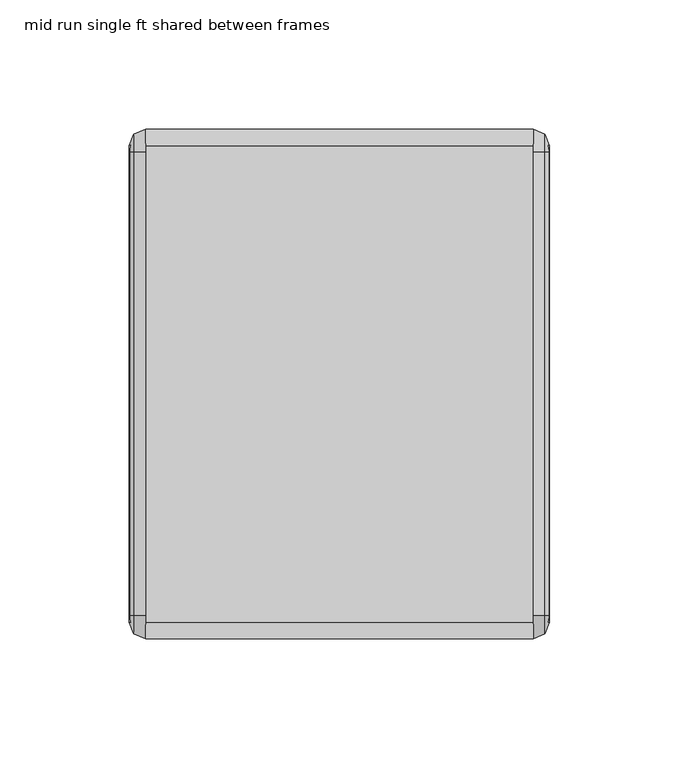
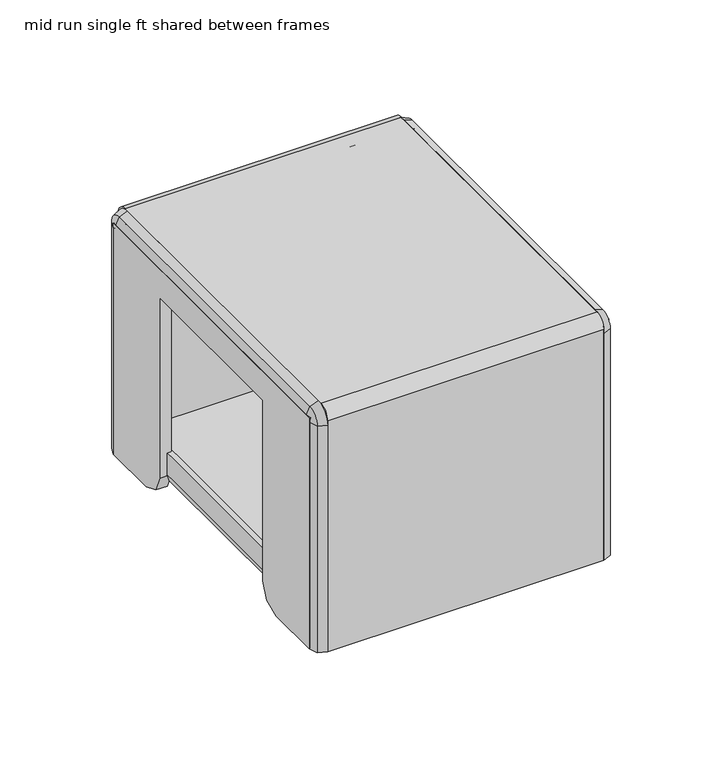
"""IFC4 building model written with IfcOpenShell, lengths in millimetres: furniture geometry, mid run single ft shared between frames."""

from ifc_helpers import new_model, si_unit, point, frame, frame_2d, origin, place, context, project, spatial, polyline, circle_curve, trimmed, segment, composite_curve, outline, extrude, source, transform, mapped, element, save
from ifc_brep_helpers import plane_surface, cylinder_surface, revolved_surface, advanced_brep


def mid_run_single_ft_shared_between_frames_ed25e130(model_context):
    return source(origin(), model_context, "Body", "SolidModel", [
        advanced_brep(
        [(85.3736169, -162.8161811, 60.1980016), (77.3726154, -162.8161811, 60.1980016), (77.3726154, -162.8161811, 7.8739999), (85.3736169, -162.8161811, 7.8739999), (68.6731101, -162.8161811, 7.8739999), (94.0731222, -162.8161811, 7.8739999), (68.6731101, -162.8161811, 2.6834552), (94.0731222, -162.8161811, 2.6834552), (81.3731162, -162.8161811, 0.0), (81.3731162, -162.8161811, 60.1980016)],
        [
            (0, 1, circle_curve(frame((81.3731162, -162.8161811, 60.1980016), z_axis=(0.0, 0.0, -1.0), x_axis=(-1.0, 0.0, 0.0)), 4.0005007)),
            (1, 2),
            (2, 3, circle_curve(frame((81.3731162, -162.8161811, 7.8739999), z_axis=(0.0, 0.0, 1.0), x_axis=(-1.0, 0.0, 0.0)), 4.0005007)),
            (3, 0),
            (1, 0, circle_curve(frame((81.3731162, -162.8161811, 60.1980016), z_axis=(0.0, 0.0, -1.0), x_axis=(-1.0, 0.0, 0.0)), 4.0005007)),
            (3, 2, circle_curve(frame((81.3731162, -162.8161811, 7.8739999), z_axis=(0.0, 0.0, 1.0), x_axis=(-1.0, 0.0, 0.0)), 4.0005007)),
            (2, 4),
            (4, 5, circle_curve(frame((81.3731162, -162.8161811, 7.8739999), z_axis=(0.0, 0.0, 1.0), x_axis=(-1.0, 0.0, 0.0)), 12.7000061)),
            (5, 3),
            (5, 4, circle_curve(frame((81.3731162, -162.8161811, 7.8739999), z_axis=(0.0, 0.0, 1.0), x_axis=(-1.0, 0.0, 0.0)), 12.7000061)),
            (4, 6),
            (6, 7, circle_curve(frame((81.3731162, -162.8161811, 2.6834552), z_axis=(0.0, 0.0, 1.0), x_axis=(-1.0, 0.0, 0.0)), 12.7000061)),
            (7, 5),
            (7, 6, circle_curve(frame((81.3731162, -162.8161811, 2.6834552), z_axis=(0.0, 0.0, 1.0), x_axis=(-1.0, 0.0, 0.0)), 12.7000061)),
            (6, 8),
            (8, 7),
            (9, 1),
            (0, 9),
        ],
        [
            cylinder_surface(frame((81.3731162, -162.8161811, 60.1980016), z_axis=(0.0, 0.0, 1.0), x_axis=(-1.0, 0.0, 0.0)), 4.0005007),
            plane_surface(frame((81.3731162, -162.8161811, 7.8739999), z_axis=(0.0, 0.0, 1.0), x_axis=(-1.0, 0.0, 0.0))),
            cylinder_surface(frame((81.3731162, -162.8161811, 60.1980016), z_axis=(0.0, 0.0, 1.0), x_axis=(-1.0, 0.0, 0.0)), 12.7000061),
            revolved_surface(polyline([(81.3731162, -162.8161811, 0.0), (68.6731101, -162.8161811, 2.6834552)]), (81.3731162, -162.8161811, 60.1980016), (0.0, 0.0, 1.0)),
            plane_surface(frame((81.3731162, -162.8161811, 60.1980016), z_axis=(0.0, 0.0, 1.0), x_axis=(-1.0, 0.0, 0.0))),
        ],
        [
            (0, [[1, 2, 3, 4]]),
            (0, [[5, -4, 6, -2]]),
            (1, [[-3, 7, 8, 9]]),
            (1, [[-6, -9, 10, -7]]),
            (2, [[-8, 11, 12, 13]]),
            (2, [[-10, -13, 14, -11]]),
            (3, [[-12, 15, 16]]),
            (3, [[-14, -16, -15]]),
            (4, [[17, -1, 18]]),
            (4, [[-18, -5, -17]]),
        ],
    ),
        advanced_brep(
        [(85.3736169, -21.7014804, 7.8739999), (77.3726154, -21.7014804, 7.8739999), (77.3726154, -21.7014804, 60.1980016), (85.3736169, -21.7014804, 60.1980016), (94.0731222, -21.7014804, 7.8739999), (68.6731101, -21.7014804, 7.8739999), (94.0731222, -21.7014804, 2.6834552), (68.6731101, -21.7014804, 2.6834552), (81.3731162, -21.7014804, 0.0), (81.3731162, -21.7014804, 60.1980016)],
        [
            (0, 1, circle_curve(frame((81.3731162, -21.7014804, 7.8739999), z_axis=(0.0, 0.0, 1.0), x_axis=(-1.0, 0.0, 0.0)), 4.0005007)),
            (1, 2),
            (2, 3, circle_curve(frame((81.3731162, -21.7014804, 60.1980016), z_axis=(0.0, 0.0, -1.0), x_axis=(-1.0, 0.0, 0.0)), 4.0005007)),
            (3, 0),
            (1, 0, circle_curve(frame((81.3731162, -21.7014804, 7.8739999), z_axis=(0.0, 0.0, 1.0), x_axis=(-1.0, 0.0, 0.0)), 4.0005007)),
            (3, 2, circle_curve(frame((81.3731162, -21.7014804, 60.1980016), z_axis=(0.0, 0.0, -1.0), x_axis=(-1.0, 0.0, 0.0)), 4.0005007)),
            (4, 5, circle_curve(frame((81.3731162, -21.7014804, 7.8739999), z_axis=(0.0, 0.0, 1.0), x_axis=(-1.0, 0.0, 0.0)), 12.7000061)),
            (5, 1),
            (0, 4),
            (5, 4, circle_curve(frame((81.3731162, -21.7014804, 7.8739999), z_axis=(0.0, 0.0, 1.0), x_axis=(-1.0, 0.0, 0.0)), 12.7000061)),
            (6, 7, circle_curve(frame((81.3731162, -21.7014804, 2.6834552), z_axis=(0.0, 0.0, 1.0), x_axis=(-1.0, 0.0, 0.0)), 12.7000061)),
            (7, 5),
            (4, 6),
            (7, 6, circle_curve(frame((81.3731162, -21.7014804, 2.6834552), z_axis=(0.0, 0.0, 1.0), x_axis=(-1.0, 0.0, 0.0)), 12.7000061)),
            (8, 7),
            (6, 8),
            (2, 9),
            (9, 3),
        ],
        [
            cylinder_surface(frame((81.3731162, -21.7014804, 60.1980016), z_axis=(0.0, 0.0, -1.0), x_axis=(-1.0, 0.0, 0.0)), 4.0005007),
            plane_surface(frame((81.3731162, -21.7014804, 7.8739999), z_axis=(0.0, 0.0, 1.0), x_axis=(-1.0, 0.0, 0.0))),
            cylinder_surface(frame((81.3731162, -21.7014804, 60.1980016), z_axis=(0.0, 0.0, -1.0), x_axis=(-1.0, 0.0, 0.0)), 12.7000061),
            revolved_surface(polyline([(68.6731101, -21.7014804, 2.6834552), (81.3731162, -21.7014804, 0.0)]), (81.3731162, -21.7014804, 60.1980016), (0.0, 0.0, -1.0)),
            plane_surface(frame((81.3731162, -21.7014804, 60.1980016), z_axis=(0.0, 0.0, 1.0), x_axis=(-1.0, 0.0, 0.0))),
        ],
        [
            (0, [[1, 2, 3, 4]]),
            (0, [[5, -4, 6, -2]]),
            (1, [[7, 8, -1, 9]]),
            (1, [[10, -9, -5, -8]]),
            (2, [[11, 12, -7, 13]]),
            (2, [[14, -13, -10, -12]]),
            (3, [[15, -11, 16]]),
            (3, [[-16, -14, -15]]),
            (4, [[-3, 17, 18]]),
            (4, [[-6, -18, -17]]),
        ],
    ),
        extrude(outline(polyline([(9.8583747, 13.3499982), (12.8983747, 13.3499982), (12.8983747, 10.5649983), (13.8283109, 8.3199341), (16.073375, 7.389999), (28.9083758, 7.389999), (28.9083758, 4.3499979), (16.073375, 4.3499979), (11.6787067, 6.170331), (9.8583747, 10.5649983), (9.8583747, 13.3499982)])), frame((0.0, -190.6970021, 0.0), z_axis=(0.0, 1.0, 0.0), x_axis=(0.0, 0.0, 1.0)), (0.0, 0.0, 1.0), 184.4740023),
        extrude(outline(polyline([(9.8583747, 147.3452727), (9.8583747, 150.1302726), (11.6787067, 154.5249399), (16.073375, 156.345273), (28.9083758, 156.345273), (28.9083758, 153.3052719), (16.073375, 153.3052719), (13.8283109, 152.3753368), (12.8983747, 150.1302726), (12.8983747, 147.3452727), (9.8583747, 147.3452727)])), frame((0.0, -190.6970021, 0.0), z_axis=(0.0, 1.0, 0.0), x_axis=(0.0, 0.0, 1.0)), (0.0, 0.0, 1.0), 184.4740023),
        extrude(outline(polyline([(147.3452727, -190.6970021), (13.7468732, -190.6970021), (13.7468732, -6.2229997), (147.3452727, -6.2229997), (147.3452727, -190.6970021)])), frame((0.0, 0.0, 9.8583747), z_axis=(0.0, 0.0, 1.0), x_axis=(1.0, 0.0, 0.0)), (0.0, 0.0, 1.0), 3.04),
        extrude(outline(polyline([(-6.2229997, 3.4703749), (-37.3000017, 3.4703749), (-46.2802539, 7.1901191), (-49.9999987, 16.1703747), (-49.9999987, 119.8104104), (-146.9199958, 119.8104104), (-146.9199958, 16.1703747), (-150.6397451, 7.1901191), (-159.6199927, 3.4703749), (-190.6970021, 3.4703749), (-190.6970021, 136.0169734), (-6.2229997, 136.0169734), (-6.2229997, 3.4703749)])), frame((156.3624, 0.0, 0.0), z_axis=(1.0, 0.0, 0.0), x_axis=(0.0, 1.0, 0.0)), (0.0, 0.0, 1.0), 6.35),
        extrude(outline(polyline([(-6.2229997, 3.4703749), (-37.3000017, 3.4703749), (-46.2802539, 7.1901191), (-49.9999987, 16.1703747), (-49.9999987, 119.8104104), (-146.9199958, 119.8104104), (-146.9199958, 16.1703747), (-150.6397451, 7.1901191), (-159.6199927, 3.4703749), (-190.6970021, 3.4703749), (-190.6970021, 136.0169734), (-6.2229997, 136.0169734), (-6.2229997, 3.4703749)])), frame((0.0, 0.0, 0.0), z_axis=(1.0, 0.0, 0.0), x_axis=(0.0, 1.0, 0.0)), (0.0, 0.0, 1.0), 6.35),
        advanced_brep(
        [(0.0, -190.6970021, 3.4703749), (0.0, -189.1970028, 3.4703749), (6.35, -189.1970028, 3.4703749), (6.35, -196.9726108, 3.4703749), (1.8226722, -195.0973331, 3.4703749), (6.35, -189.1970028, 133.4769734), (6.35, -188.1570021, 134.5169741), (6.35, -8.7629997, 134.5169741), (6.35, -7.722999, 133.4769734), (6.35, -7.722999, 3.4703749), (6.35, 0.052609, 3.4703749), (6.35, 0.052609, 133.4769734), (6.35, -8.7629997, 142.2925821), (6.35, -188.1570021, 142.2925821), (6.35, -196.9726108, 133.4769734), (0.0, -189.1970028, 133.4769734), (0.0, -190.6970021, 133.4769734), (0.0, -188.1570021, 136.0169734), (0.0, -8.7629997, 136.0169734), (0.0, -6.2229997, 133.4769734), (0.0, -6.2229997, 3.4703749), (0.0, -7.722999, 3.4703749), (0.0, -7.722999, 133.4769734), (0.0, -8.7629997, 134.5169741), (0.0, -188.1570021, 134.5169741), (1.8226722, -1.8226688, 3.4703749), (1.8226722, -195.0973331, 133.4769734), (1.8226722, -188.1570021, 140.4173043), (1.8226722, -8.7629997, 140.4173043), (1.8226722, -1.8226688, 133.4769734)],
        [
            (0, 1),
            (1, 2),
            (2, 3),
            (3, 4),
            (4, 0),
            (2, 5),
            (5, 6, circle_curve(frame((6.35, -188.1570021, 133.4769734), z_axis=(-1.0, 0.0, 0.0), x_axis=(0.0, -1.0, 0.0)), 1.0400007)),
            (6, 7),
            (7, 8, circle_curve(frame((6.35, -8.7629997, 133.4769734), z_axis=(-1.0, 0.0, 0.0), x_axis=(0.0, 0.0, 1.0)), 1.0400007)),
            (8, 9),
            (9, 10),
            (10, 11),
            (11, 12, circle_curve(frame((6.35, -8.7629997, 133.4769734), z_axis=(1.0, 0.0, 0.0), x_axis=(0.0, 0.0, 1.0)), 8.8156088)),
            (12, 13),
            (13, 14, circle_curve(frame((6.35, -188.1570021, 133.4769734), z_axis=(1.0, 0.0, 0.0), x_axis=(0.0, -1.0, 0.0)), 8.8156088)),
            (14, 3),
            (1, 15),
            (15, 5),
            (0, 16),
            (16, 17, circle_curve(frame((0.0, -188.1570021, 133.4769734), z_axis=(-1.0, 0.0, 0.0), x_axis=(0.0, -1.0, 0.0)), 2.54)),
            (17, 18),
            (18, 19, circle_curve(frame((0.0, -8.7629997, 133.4769734), z_axis=(-1.0, 0.0, 0.0), x_axis=(0.0, 0.0, 1.0)), 2.54)),
            (19, 20),
            (20, 21),
            (21, 22),
            (22, 23, circle_curve(frame((0.0, -8.7629997, 133.4769734), z_axis=(1.0, 0.0, 0.0), x_axis=(0.0, 0.0, 1.0)), 1.0400007)),
            (23, 24),
            (24, 15, circle_curve(frame((0.0, -188.1570021, 133.4769734), z_axis=(1.0, 0.0, 0.0), x_axis=(0.0, -1.0, 0.0)), 1.0400007)),
            (24, 6),
            (23, 7),
            (22, 8),
            (20, 25),
            (25, 10),
            (9, 21),
            (4, 26),
            (26, 16),
            (14, 26),
            (26, 27, circle_curve(frame((1.8226722, -188.1570021, 133.4769734), z_axis=(-1.0, 0.0, 0.0), x_axis=(0.0, -1.0, 0.0)), 6.940331)),
            (27, 17),
            (13, 27),
            (27, 28),
            (28, 18),
            (12, 28),
            (28, 29, circle_curve(frame((1.8226722, -8.7629997, 133.4769734), z_axis=(-1.0, 0.0, 0.0), x_axis=(0.0, 0.0, 1.0)), 6.940331)),
            (29, 19),
            (11, 29),
            (29, 25),
        ],
        [
            plane_surface(frame((6.3499985, -190.6970021, 3.4703749), z_axis=(0.0, 0.0, -1.0), x_axis=(-1.0, 0.0, 0.0))),
            plane_surface(frame((6.35, -189.1970028, 3.4703749), z_axis=(1.0, 0.0, 0.0), x_axis=(0.0, 0.0, 1.0))),
            plane_surface(frame((0.0, -189.1970028, 3.4703749), z_axis=(0.0, 1.0, 0.0), x_axis=(0.0, 0.0, 1.0))),
            plane_surface(frame((0.0, -190.6970021, 3.4703749), z_axis=(-1.0, 0.0, 0.0), x_axis=(0.0, 0.0, 1.0))),
            revolved_surface(polyline([(0.0, -189.1970028, 133.4769734), (6.35, -189.1970028, 133.4769734)]), (6.3499985, -188.1570021, 133.4769734), (-1.0, 0.0, 0.0)),
            plane_surface(frame((0.0, -188.1570021, 134.5169741), z_axis=(0.0, 0.0, -1.0), x_axis=(0.0, 1.0, 0.0))),
            revolved_surface(polyline([(0.0, -8.7629997, 134.5169741), (6.35, -8.7629997, 134.5169741)]), (6.3499985, -8.7629997, 133.4769734), (-1.0, 0.0, 0.0)),
            plane_surface(frame((6.3499985, -6.2229997, 3.4703749), z_axis=(0.0, 0.0, -1.0), x_axis=(-1.0, 0.0, 0.0))),
            plane_surface(frame((0.0, -7.722999, 133.4769734), z_axis=(0.0, -1.0, 0.0), x_axis=(0.0, 0.0, -1.0))),
            plane_surface(frame((1.8226722, -195.0973331, 3.4703749), z_axis=(-0.9238798733387227, -0.3826826095338352, 0.0), x_axis=(0.0, 0.0, 1.0))),
            plane_surface(frame((6.35, -196.9726108, 3.4703749), z_axis=(-0.3826829466812399, -0.9238797336879748, 0.0), x_axis=(0.0, 0.0, 1.0))),
            revolved_surface(polyline([(1.8226722, -195.0973331, 133.4769734), (0.0, -190.6970021, 133.4769734)]), (6.3499985, -188.1570021, 133.4769734), (-1.0, 0.0, 0.0)),
            revolved_surface(polyline([(6.35, -196.9726108, 133.4769734), (1.8226722, -195.0973331, 133.4769734)]), (6.3499985, -188.1570021, 133.4769734), (-1.0, 0.0, 0.0)),
            plane_surface(frame((1.8226722, -188.1570021, 140.4173043), z_axis=(-0.9238798733387267, 0.0, 0.38268260953382577), x_axis=(0.0, 1.0, 0.0))),
            plane_surface(frame((6.35, -188.1570021, 142.2925821), z_axis=(-0.3826829466812494, 0.0, 0.9238797336879709), x_axis=(0.0, 1.0, 0.0))),
            revolved_surface(polyline([(1.8226722, -8.7629997, 140.4173043), (0.0, -8.7629997, 136.0169734)]), (6.3499985, -8.7629997, 133.4769734), (-1.0, 0.0, 0.0)),
            revolved_surface(polyline([(6.35, -8.7629997, 142.2925821), (1.8226722, -8.7629997, 140.4173043)]), (6.3499985, -8.7629997, 133.4769734), (-1.0, 0.0, 0.0)),
            plane_surface(frame((1.8226722, -1.8226688, 133.4769734), z_axis=(-0.9238798733387228, 0.38268260953383526, 0.0), x_axis=(0.0, 0.0, -1.0))),
            plane_surface(frame((6.35, 0.052609, 133.4769734), z_axis=(-0.3826829466812399, 0.9238797336879748, 0.0), x_axis=(0.0, 0.0, -1.0))),
        ],
        [
            (0, [[1, 2, 3, 4, 5]]),
            (1, [[-3, 6, 7, 8, 9, 10, 11, 12, 13, 14, 15, 16]]),
            (2, [[-2, 17, 18, -6]]),
            (3, [[-1, 19, 20, 21, 22, 23, 24, 25, 26, 27, 28, -17]]),
            (4, [[-7, -18, -28, 29]]),
            (5, [[-29, -27, 30, -8]]),
            (6, [[-9, -30, -26, 31]]),
            (7, [[32, 33, -11, 34, -24]]),
            (8, [[-31, -25, -34, -10]]),
            (9, [[-5, 35, 36, -19]]),
            (10, [[-4, -16, 37, -35]]),
            (11, [[-20, -36, 38, 39]]),
            (12, [[-38, -37, -15, 40]]),
            (13, [[-39, 41, 42, -21]]),
            (14, [[-40, -14, 43, -41]]),
            (15, [[-22, -42, 44, 45]]),
            (16, [[-44, -43, -13, 46]]),
            (17, [[-45, 47, -32, -23]]),
            (18, [[-46, -12, -33, -47]]),
        ],
    ),
        advanced_brep(
        [(162.7123985, -190.6970021, 3.4703749), (160.8897263, -195.0973331, 3.4703749), (156.3623985, -196.9726108, 3.4703749), (156.3623985, -189.1970028, 3.4703749), (162.7123985, -189.1970028, 3.4703749), (156.3623985, -196.9726108, 133.4769734), (156.3623985, -188.1570021, 142.2925821), (156.3623985, -8.7629997, 142.2925821), (156.3623985, 0.052609, 133.4769734), (156.3623985, 0.052609, 3.4703749), (156.3623985, -7.722999, 3.4703749), (156.3623985, -7.722999, 133.4769734), (156.3623985, -8.7629997, 134.5169741), (156.3623985, -188.1570021, 134.5169741), (156.3623985, -189.1970028, 133.4769734), (162.7123985, -189.1970028, 133.4769734), (162.7123985, -188.1570021, 134.5169741), (162.7123985, -8.7629997, 134.5169741), (162.7123985, -7.722999, 133.4769734), (162.7123985, -7.722999, 3.4703749), (162.7123985, -6.2229997, 3.4703749), (162.7123985, -6.2229997, 133.4769734), (162.7123985, -8.7629997, 136.0169734), (162.7123985, -188.1570021, 136.0169734), (162.7123985, -190.6970021, 133.4769734), (160.8897263, -1.8226688, 3.4703749), (160.8897263, -195.0973331, 133.4769734), (160.8897263, -188.1570021, 140.4173043), (160.8897263, -8.7629997, 140.4173043), (160.8897263, -1.8226688, 133.4769734)],
        [
            (0, 1),
            (1, 2),
            (2, 3),
            (3, 4),
            (4, 0),
            (2, 5),
            (5, 6, circle_curve(frame((156.3623985, -188.1570021, 133.4769734), z_axis=(-1.0, 0.0, 0.0), x_axis=(0.0, -1.0, 0.0)), 8.8156088)),
            (6, 7),
            (7, 8, circle_curve(frame((156.3623985, -8.7629997, 133.4769734), z_axis=(-1.0, 0.0, 0.0), x_axis=(0.0, 0.0, 1.0)), 8.8156088)),
            (8, 9),
            (9, 10),
            (10, 11),
            (11, 12, circle_curve(frame((156.3623985, -8.7629997, 133.4769734), z_axis=(1.0, 0.0, 0.0), x_axis=(0.0, 0.0, 1.0)), 1.0400007)),
            (12, 13),
            (13, 14, circle_curve(frame((156.3623985, -188.1570021, 133.4769734), z_axis=(1.0, 0.0, 0.0), x_axis=(0.0, -1.0, 0.0)), 1.0400007)),
            (14, 3),
            (14, 15),
            (15, 4),
            (15, 16, circle_curve(frame((162.7123985, -188.1570021, 133.4769734), z_axis=(-1.0, 0.0, 0.0), x_axis=(0.0, -1.0, 0.0)), 1.0400007)),
            (16, 17),
            (17, 18, circle_curve(frame((162.7123985, -8.7629997, 133.4769734), z_axis=(-1.0, 0.0, 0.0), x_axis=(0.0, 0.0, 1.0)), 1.0400007)),
            (18, 19),
            (19, 20),
            (20, 21),
            (21, 22, circle_curve(frame((162.7123985, -8.7629997, 133.4769734), z_axis=(1.0, 0.0, 0.0), x_axis=(0.0, 0.0, 1.0)), 2.54)),
            (22, 23),
            (23, 24, circle_curve(frame((162.7123985, -188.1570021, 133.4769734), z_axis=(1.0, 0.0, 0.0), x_axis=(0.0, -1.0, 0.0)), 2.54)),
            (24, 0),
            (13, 16),
            (12, 17),
            (11, 18),
            (19, 10),
            (9, 25),
            (25, 20),
            (24, 26),
            (26, 1),
            (26, 5),
            (27, 26, circle_curve(frame((160.8897263, -188.1570021, 133.4769734), z_axis=(1.0, 0.0, 0.0), x_axis=(0.0, -1.0, 0.0)), 6.940331)),
            (23, 27),
            (27, 6),
            (22, 28),
            (28, 27),
            (28, 7),
            (29, 28, circle_curve(frame((160.8897263, -8.7629997, 133.4769734), z_axis=(1.0, 0.0, 0.0), x_axis=(0.0, 0.0, 1.0)), 6.940331)),
            (21, 29),
            (29, 8),
            (25, 29),
        ],
        [
            plane_surface(frame((156.3624, -190.6970021, 3.4703749), z_axis=(0.0, 0.0, -1.0), x_axis=(1.0, 0.0, 0.0))),
            plane_surface(frame((156.3623985, -196.9726108, 3.4703749), z_axis=(-1.0, 0.0, 0.0), x_axis=(0.0, 0.0, 1.0))),
            plane_surface(frame((156.3623985, -189.1970028, 3.4703749), z_axis=(0.0, 1.0, 0.0), x_axis=(0.0, 0.0, 1.0))),
            plane_surface(frame((162.7123985, -189.1970028, 3.4703749), z_axis=(1.0, 0.0, 0.0), x_axis=(0.0, 0.0, 1.0))),
            revolved_surface(polyline([(156.3623985, -189.1970028, 133.4769734), (162.7123985, -189.1970028, 133.4769734)]), (156.3624, -188.1570021, 133.4769734), (-1.0, 0.0, 0.0)),
            plane_surface(frame((156.3623985, -188.1570021, 134.5169741), z_axis=(0.0, 0.0, -1.0), x_axis=(0.0, 1.0, 0.0))),
            revolved_surface(polyline([(156.3623985, -8.7629997, 134.5169741), (162.7123985, -8.7629997, 134.5169741)]), (156.3624, -8.7629997, 133.4769734), (-1.0, 0.0, 0.0)),
            plane_surface(frame((156.3624, -6.2229997, 3.4703749), z_axis=(0.0, 0.0, -1.0), x_axis=(1.0, 0.0, 0.0))),
            plane_surface(frame((156.3623985, -7.722999, 133.4769734), z_axis=(0.0, -1.0, 0.0), x_axis=(0.0, 0.0, -1.0))),
            plane_surface(frame((162.7123985, -190.6970021, 3.4703749), z_axis=(0.9238798733387221, -0.38268260953383665, 0.0), x_axis=(0.0, 0.0, 1.0))),
            plane_surface(frame((160.8897263, -195.0973331, 3.4703749), z_axis=(0.38268294668124286, -0.9238797336879737, 0.0), x_axis=(0.0, 0.0, 1.0))),
            revolved_surface(polyline([(162.7123985, -190.6970021, 133.4769734), (160.8897263, -195.0973331, 133.4769734)]), (156.3624, -188.1570021, 133.4769734), (-1.0, 0.0, 0.0)),
            revolved_surface(polyline([(160.8897263, -195.0973331, 133.4769734), (156.3623985, -196.9726108, 133.4769734)]), (156.3624, -188.1570021, 133.4769734), (-1.0, 0.0, 0.0)),
            plane_surface(frame((162.7123985, -188.1570021, 136.0169734), z_axis=(0.923879873338726, 0.0, 0.38268260953382716), x_axis=(0.0, 1.0, 0.0))),
            plane_surface(frame((160.8897263, -188.1570021, 140.4173043), z_axis=(0.3826829466812523, 0.0, 0.9238797336879697), x_axis=(0.0, 1.0, 0.0))),
            revolved_surface(polyline([(162.7123985, -8.7629997, 136.0169734), (160.8897263, -8.7629997, 140.4173043)]), (156.3624, -8.7629997, 133.4769734), (-1.0, 0.0, 0.0)),
            revolved_surface(polyline([(160.8897263, -8.7629997, 140.4173043), (156.3623985, -8.7629997, 142.2925821)]), (156.3624, -8.7629997, 133.4769734), (-1.0, 0.0, 0.0)),
            plane_surface(frame((162.7123985, -6.2229997, 133.4769734), z_axis=(0.9238798733387221, 0.38268260953383665, 0.0), x_axis=(0.0, 0.0, -1.0))),
            plane_surface(frame((160.8897263, -1.8226688, 133.4769734), z_axis=(0.38268294668124286, 0.9238797336879737, 0.0), x_axis=(0.0, 0.0, -1.0))),
        ],
        [
            (0, [[1, 2, 3, 4, 5]]),
            (1, [[-3, 6, 7, 8, 9, 10, 11, 12, 13, 14, 15, 16]]),
            (2, [[-4, -16, 17, 18]]),
            (3, [[-5, -18, 19, 20, 21, 22, 23, 24, 25, 26, 27, 28]]),
            (4, [[-19, -17, -15, 29]]),
            (5, [[-29, -14, 30, -20]]),
            (6, [[-21, -30, -13, 31]]),
            (7, [[-23, 32, -11, 33, 34]]),
            (8, [[-31, -12, -32, -22]]),
            (9, [[-1, -28, 35, 36]]),
            (10, [[-2, -36, 37, -6]]),
            (11, [[38, -35, -27, 39]]),
            (12, [[-7, -37, -38, 40]]),
            (13, [[-39, -26, 41, 42]]),
            (14, [[-40, -42, 43, -8]]),
            (15, [[44, -41, -25, 45]]),
            (16, [[-9, -43, -44, 46]]),
            (17, [[-45, -24, -34, 47]]),
            (18, [[-46, -47, -33, -10]]),
        ],
    ),
        extrude(outline(composite_curve([segment(polyline([(0.0, 3.4703749), (-6.2229997, 3.4703749), (-6.2229997, 133.4769734)]), True, "CONTINUOUS"), segment(trimmed(circle_curve(frame_2d((-8.7629997, 133.4769734)), 2.54), [point((-6.2229997, 133.4769734))], [point((-8.7629997, 136.0169734))], True, "CARTESIAN"), True, "CONTINUOUS"), segment(polyline([(-8.7629997, 136.0169734), (-188.1570021, 136.0169734)]), True, "CONTINUOUS"), segment(trimmed(circle_curve(frame_2d((-188.1570021, 133.4769734)), 2.54), [point((-188.1570021, 136.0169734))], [point((-190.6970021, 133.4769734))], True, "CARTESIAN"), True, "CONTINUOUS"), segment(polyline([(-190.6970021, 133.4769734), (-190.6970021, 3.4703749), (-196.9200052, 3.4703749), (-196.9200052, 135.8899734)]), True, "CONTINUOUS"), segment(trimmed(circle_curve(frame_2d((-190.5700052, 135.8899734)), 6.35), [point((-196.9200052, 135.8899734))], [point((-190.5700052, 142.2399734))], False, "CARTESIAN"), True, "CONTINUOUS"), segment(polyline([(-190.5700052, 142.2399734), (-6.35, 142.2399734)]), True, "CONTINUOUS"), segment(trimmed(circle_curve(frame_2d((-6.35, 135.8899734)), 6.35), [point((-6.35, 142.2399734))], [point((0.0, 135.8899734))], False, "CARTESIAN"), True, "CONTINUOUS"), segment(polyline([(0.0, 135.8899734), (0.0, 3.4703749)]), True, "CONTINUOUS")], self_intersect=False)), frame((6.3499985, 0.0, 0.0), z_axis=(1.0, 0.0, 0.0), x_axis=(0.0, 1.0, 0.0)), (0.0, 0.0, 1.0), 150.0124015),
    ])


if __name__ == "__main__":
    model = new_model("IFC4")
    model_context = context("Model", 3, world=origin())
    ifc_project = project(units=[si_unit("LENGTHUNIT", "METRE", prefix="MILLI")], contexts=[model_context])
    site = spatial("IfcSite", under=ifc_project)
    building = spatial("IfcBuilding", under=site)
    placement = place(None, origin())
    mid_run_single_ft_shared_between_frames_shape = mid_run_single_ft_shared_between_frames_ed25e130(model_context)
    element("IfcFurniture", 1, ObjectType="mid run single ft shared between frames", at=placement, inside=building, context=model_context, shape_type="MappedRepresentation", body=[
        mapped(mid_run_single_ft_shared_between_frames_shape, transform((0.0, 0.0, 0.0), x_axis=(1.0, 0.0, 0.0), y_axis=(0.0, 1.0, 0.0), z_axis=(0.0, 0.0, 1.0))),
    ])
    save(model, "model.ifc")
